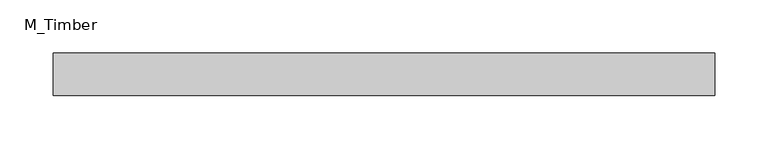
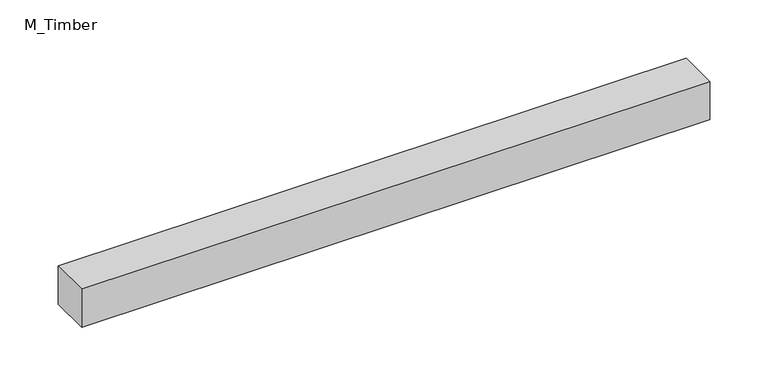
"""IFC4 building model written with IfcOpenShell, lengths in millimetres: beam geometry, M_Timber."""

import ifcopenshell
import ifcopenshell.guid

model = None  # the IFC model being written
_history = None  # IfcOwnerHistory: only IFC2X3 demands one
_inside = {}  # id of a spatial element -> (the spatial element, [elements in it])
_under = {}  # id of a project, library or spatial element -> (it, [spatial elements below it])
_declared = {}  # id of a project -> (the project, [libraries it declares])
_typed = {}  # id of a type object -> (the type object, [elements of that type])
_made_of = {}  # id of a material, layer set ... -> (it, [elements and type objects made of it])


def new_model(schema):
    """Start an empty IFC model of exactly this schema.

    Asked for "IFC4X3", IfcOpenShell would pick the latest addendum, in which some entities
    have other attributes; the version numbers below select the first issue.
    IFC2X3 requires an IfcOwnerHistory on every rooted entity: one is made here for all.
    """
    global model, _history
    if schema == "IFC4X3":
        model = ifcopenshell.file(schema_version=(4, 3, 0, 0))
    else:
        model = ifcopenshell.file(schema=schema)
    _inside.clear()
    _under.clear()
    _declared.clear()
    _typed.clear()
    _made_of.clear()
    _history = None
    if model.schema == "IFC2X3":
        org = make("IfcOrganization", Name="unknown")
        user = make(
            "IfcPersonAndOrganization",
            ThePerson=make("IfcPerson", FamilyName="unknown"),
            TheOrganization=org,
        )
        app = make(
            "IfcApplication",
            ApplicationDeveloper=org,
            Version="unknown",
            ApplicationFullName="unknown",
            ApplicationIdentifier="unknown",
        )
        _history = make(
            "IfcOwnerHistory",
            OwningUser=user,
            OwningApplication=app,
            ChangeAction="ADDED",
            CreationDate=0,
        )
    return model


def make(cls, **values):
    """One entity of the class cls with the attributes given. An attribute that is None is left unset."""
    return model.create_entity(
        cls, **{name: value for name, value in values.items() if value is not None}
    )


def rooted(cls, **values):
    """An entity with a GlobalId (a new one), such as an element, a storey or a relation."""
    return make(cls, GlobalId=ifcopenshell.guid.new(), OwnerHistory=_history, **values)


def si_unit(unit_type, name, prefix=None):
    """IfcSIUnit, for example si_unit("LENGTHUNIT", "METRE", prefix="MILLI")."""
    return make("IfcSIUnit", UnitType=unit_type, Prefix=prefix, Name=name)


def assignment(units):
    """IfcUnitAssignment: the units of a project."""
    return None if units is None else make("IfcUnitAssignment", Units=units)


def point(xyz):
    """IfcCartesianPoint."""
    return None if xyz is None else make("IfcCartesianPoint", Coordinates=xyz)


def direction(xyz):
    """IfcDirection."""
    return None if xyz is None else make("IfcDirection", DirectionRatios=xyz)


def frame(location, z_axis=None, x_axis=None):
    """IfcAxis2Placement3D, a coordinate frame: its origin and axes. An axis left out is left unset."""
    return make(
        "IfcAxis2Placement3D",
        Location=point(location),
        Axis=direction(z_axis),
        RefDirection=direction(x_axis),
    )


def origin():
    """The frame at (0, 0, 0) with its axes left unset."""
    return frame((0.0, 0.0, 0.0))


def place(relative_to, where):
    """IfcLocalPlacement: puts the frame where relative to a parent placement (None: the world)."""
    return make(
        "IfcLocalPlacement", PlacementRelTo=relative_to, RelativePlacement=where
    )


def context(
    kind, dimensions, precision=None, world=None, true_north=None, identifier=None
):
    """IfcGeometricRepresentationContext, for example the 3D "Model" context."""
    return make(
        "IfcGeometricRepresentationContext",
        ContextIdentifier=identifier,
        ContextType=kind,
        CoordinateSpaceDimension=dimensions,
        Precision=precision,
        WorldCoordinateSystem=world,
        TrueNorth=true_north,
    )


def project(units=None, contexts=None):
    """IfcProject with its units and contexts."""
    return rooted(
        "IfcProject",
        Name="project",
        RepresentationContexts=contexts,
        UnitsInContext=assignment(units),
    )


def spatial(cls, under=None, at=None, **own):
    """A site, building, storey or space (cls), placed at a placement, below another one or the project."""
    s = rooted(cls, ObjectPlacement=at, **own)
    if under is not None:
        _under.setdefault(under.id(), (under, []))[1].append(s)
    return s


def polyline(points):
    """IfcPolyline through the points."""
    return make("IfcPolyline", Points=[point(p) for p in points])


def outline(outer, holes=None, kind="AREA"):
    """IfcArbitraryClosedProfileDef: a profile drawn as a closed curve; with holes, ...WithVoids."""
    if holes is None:
        return make("IfcArbitraryClosedProfileDef", ProfileType=kind, OuterCurve=outer)
    return make(
        "IfcArbitraryProfileDefWithVoids",
        ProfileType=kind,
        OuterCurve=outer,
        InnerCurves=holes,
    )


def extrude(swept, where, along, depth):
    """IfcExtrudedAreaSolid: the profile swept, set in the frame where, extruded along a direction by depth."""
    return make(
        "IfcExtrudedAreaSolid",
        SweptArea=swept,
        Position=where,
        ExtrudedDirection=direction(along),
        Depth=depth,
    )


def shape(context_of_items, identifier, shape_type, items):
    """IfcShapeRepresentation: the items that make up one representation, for example the "Body"."""
    return make(
        "IfcShapeRepresentation",
        ContextOfItems=context_of_items,
        RepresentationIdentifier=identifier,
        RepresentationType=shape_type,
        Items=items,
    )


def source(mapping_origin, context_of_items, identifier, shape_type, items):
    """IfcRepresentationMap: a shape defined once, which mapped items show again and again."""
    return make(
        "IfcRepresentationMap",
        MappingOrigin=mapping_origin,
        MappedRepresentation=shape(context_of_items, identifier, shape_type, items),
    )


def transform(
    local_origin,
    x_axis=None,
    y_axis=None,
    z_axis=None,
    scale=None,
    scale2=None,
    scale3=None,
    uniform=True,
):
    """IfcCartesianTransformationOperator3D, or its non-uniform kind. x_axis, y_axis, z_axis: its Axis1, 2, 3."""
    if uniform:
        return make(
            "IfcCartesianTransformationOperator3D",
            Axis1=direction(x_axis),
            Axis2=direction(y_axis),
            LocalOrigin=point(local_origin),
            Scale=scale,
            Axis3=direction(z_axis),
        )
    return make(
        "IfcCartesianTransformationOperator3DnonUniform",
        Axis1=direction(x_axis),
        Axis2=direction(y_axis),
        LocalOrigin=point(local_origin),
        Scale=scale,
        Axis3=direction(z_axis),
        Scale2=scale2,
        Scale3=scale3,
    )


def mapped(mapping_source, mapping_target):
    """IfcMappedItem: shows the shape of a source again, moved by a transform."""
    return make(
        "IfcMappedItem", MappingSource=mapping_source, MappingTarget=mapping_target
    )


def made_of(thing, what):
    """Note that an element or type object is made of a material, layer set ...; save() writes the relation."""
    if what is not None:
        _made_of.setdefault(what.id(), (what, []))[1].append(thing)
    return thing


def element(
    cls,
    number,
    at=None,
    inside=None,
    cuts=None,
    type_object=None,
    material=None,
    context=None,
    identifier="Body",
    shape_type=None,
    held_by="IfcProductDefinitionShape",
    body=None,
    shapes=None,
    **own,
):
    """One element of the class cls, such as IfcWall. Its Tag is "e" and its number.

    at: its placement. inside: the storey or other place that contains it. cuts: it is an
    opening in that element (IfcRelVoidsElement). A single representation is given by context,
    identifier, shape_type and body (its items); several are given by shapes. held_by: the class
    of the entity that holds the representations. save() writes the other relations.
    """
    e = rooted(cls, Tag="e%d" % number, ObjectPlacement=at, **own)
    if body is not None:
        shapes = [shape(context, identifier, shape_type, body)]
    if shapes is not None:
        e.Representation = make(held_by, Representations=shapes)
    if inside is not None:
        _inside.setdefault(inside.id(), (inside, []))[1].append(e)
    if cuts is not None:
        rooted(
            "IfcRelVoidsElement", RelatingBuildingElement=cuts, RelatedOpeningElement=e
        )
    if type_object is not None:
        _typed.setdefault(type_object.id(), (type_object, []))[1].append(e)
    return made_of(e, material)


def aggregate(whole, parts):
    """IfcRelAggregates: a whole, such as a stair, and the parts it consists of."""
    return rooted("IfcRelAggregates", RelatingObject=whole, RelatedObjects=parts)


def save(model, path):
    """Write the relations noted so far, then the file.

    IfcRelAggregates (storeys below a building ...), IfcRelContainedInSpatialStructure (elements
    in a storey), IfcRelDefinesByType, IfcRelAssociatesMaterial and IfcRelDeclares: one each for
    every whole, place, type object, material and project.
    """
    for whole, parts in _under.values():
        aggregate(whole, parts)
    for where, things in _inside.values():
        rooted(
            "IfcRelContainedInSpatialStructure",
            RelatedElements=things,
            RelatingStructure=where,
        )
    for kind, things in _typed.values():
        rooted("IfcRelDefinesByType", RelatedObjects=things, RelatingType=kind)
    for what, things in _made_of.values():
        rooted("IfcRelAssociatesMaterial", RelatedObjects=things, RelatingMaterial=what)
    for by, libraries in _declared.values():
        rooted("IfcRelDeclares", RelatingContext=by, RelatedDefinitions=libraries)
    model.write(path)


def m_timber_dda93860(model_context):
    return source(origin(), model_context, "Body", "SweptSolid", [
        extrude(outline(polyline([(310.6769237, 20.0), (310.6769237, -20.0), (-310.6769237, -20.0), (-310.6769237, 20.0), (310.6769237, 20.0)])), frame((0.0, 0.0, -20.0), z_axis=(0.0, 0.0, 1.0), x_axis=(1.0, 0.0, 0.0)), (0.0, 0.0, 1.0), 40.0),
    ])


if __name__ == "__main__":
    model = new_model("IFC4")
    model_context = context("Model", 3, world=origin())
    ifc_project = project(units=[si_unit("LENGTHUNIT", "METRE", prefix="MILLI")], contexts=[model_context])
    site = spatial("IfcSite", under=ifc_project)
    building = spatial("IfcBuilding", under=site)
    placement = place(None, origin())
    m_timber_shape = m_timber_dda93860(model_context)
    element("IfcBeam", 1, ObjectType="M_Timber", at=placement, inside=building, context=model_context, shape_type="MappedRepresentation", body=[
        mapped(m_timber_shape, transform((0.0, 0.0, 0.0), x_axis=(1.0, 0.0, 0.0), y_axis=(0.0, 1.0, 0.0), z_axis=(0.0, 0.0, 1.0))),
    ])
    save(model, "model.ifc")
